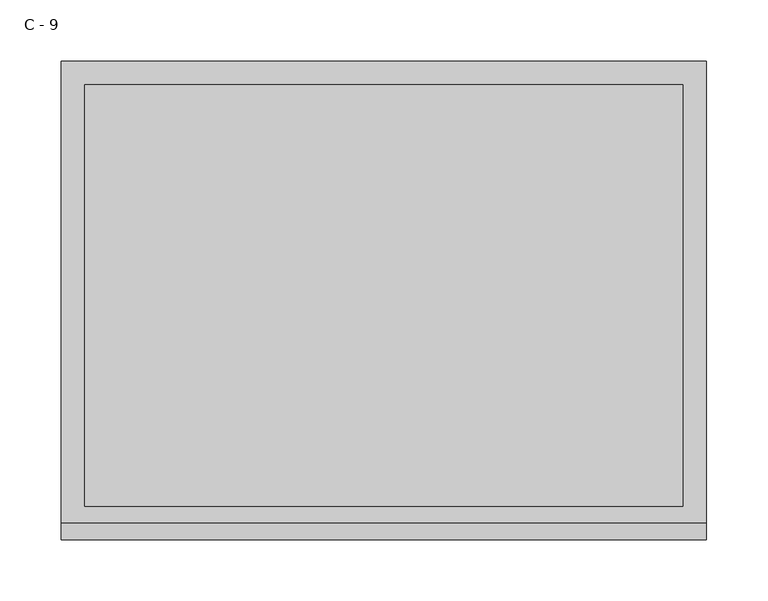
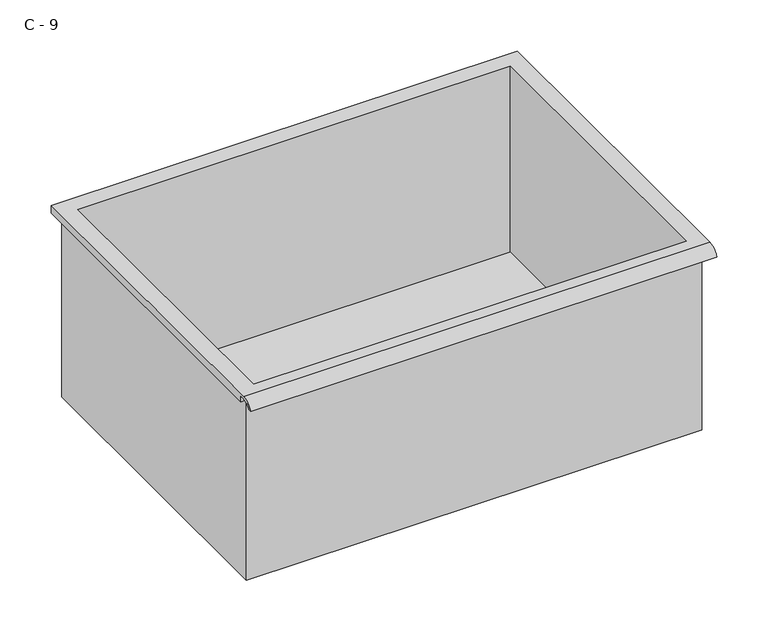
"""IFC4 building model written with IfcOpenShell, lengths in millimetres: furniture geometry, C - 9."""

from ifc_helpers import new_model, si_unit, frame, origin, place, context, project, spatial, polyline, circle_curve, source, transform, mapped, element, save
from ifc_brep_helpers import plane_surface, cylinder_surface, revolved_surface, advanced_brep


def c_9_19f34dda(model_context):
    return source(origin(), model_context, "Body", "AdvancedBrep", [
        advanced_brep(
        [(-257.1076517, -176.2125, 255.59512), (257.2423483, -176.2125, 255.59512), (257.2423483, -176.2125, 471.49512), (263.5923483, -176.2125, 471.49512), (263.5923483, -176.2125, 477.8022541), (-263.4576517, -176.2125, 477.8022541), (-263.4576517, -176.2125, 471.49512), (-257.1076517, -176.2125, 471.49512), (257.2423483, 185.7375, 255.59512), (-257.1076517, 185.7375, 255.59512), (-257.1076517, 185.7375, 471.49512), (257.2423483, 185.7375, 471.49512), (263.5923483, -181.6070544, 481.02012), (263.5923483, 195.2625, 481.02012), (-263.4576517, 195.2625, 481.02012), (-263.4576517, -181.6070544, 481.02012), (244.5423483, -168.275, 481.02012), (-244.4076517, -168.275, 481.02012), (-244.4076517, 176.2125, 481.02012), (244.5423483, 176.2125, 481.02012), (263.5923483, -195.2625, 471.49512), (263.5923483, -191.8280601, 471.49512), (263.5923483, -180.4714815, 477.8022541), (263.5923483, 195.2625, 471.49512), (-263.4576517, 195.2625, 471.49512), (-263.4576517, -180.4714815, 477.8022541), (-263.4576517, -191.8280601, 471.49512), (-263.4576517, -195.2625, 471.49512), (-244.4076517, -168.275, 258.6212919), (244.5423483, -168.275, 258.6212919), (244.5423483, 176.2125, 258.6212919), (-244.4076517, 176.2125, 258.6212919)],
        [
            (0, 1),
            (1, 2),
            (2, 3),
            (3, 4),
            (4, 5),
            (5, 6),
            (6, 7),
            (7, 0),
            (8, 9),
            (9, 10),
            (10, 11),
            (11, 8),
            (0, 9),
            (8, 1),
            (11, 2),
            (12, 13),
            (13, 14),
            (14, 15),
            (15, 12),
            (16, 17),
            (17, 18),
            (18, 19),
            (19, 16),
            (7, 10),
            (12, 20, circle_curve(frame((263.5923483, -181.6070544, 466.4691059), z_axis=(1.0, 0.0, 0.0), x_axis=(0.0, 1.0, 0.0)), 14.5510141)),
            (20, 21),
            (21, 22, circle_curve(frame((263.5923483, -181.6070544, 466.4691059), z_axis=(-1.0, 0.0, 0.0), x_axis=(0.0, 1.0, 0.0)), 11.3898979)),
            (22, 4),
            (3, 23),
            (23, 13),
            (14, 24),
            (24, 6),
            (5, 25),
            (25, 26, circle_curve(frame((-263.4576517, -181.6070544, 466.4691059), z_axis=(1.0, 0.0, 0.0), x_axis=(0.0, 1.0, 0.0)), 11.3898979)),
            (26, 27),
            (27, 15, circle_curve(frame((-263.4576517, -181.6070544, 466.4691059), z_axis=(-1.0, 0.0, 0.0), x_axis=(0.0, 1.0, 0.0)), 14.5510141)),
            (27, 20),
            (26, 21),
            (25, 22),
            (24, 23),
            (28, 29),
            (29, 30),
            (30, 31),
            (31, 28),
            (28, 17),
            (16, 29),
            (19, 30),
            (18, 31),
        ],
        [
            plane_surface(frame((257.2423483, -176.2125, 255.59512), z_axis=(0.0, -1.0, 0.0), x_axis=(1.0, 0.0, 0.0))),
            plane_surface(frame((257.2423483, 185.7375, 255.59512), z_axis=(0.0, 1.0, 0.0), x_axis=(-1.0, 0.0, 0.0))),
            plane_surface(frame((-257.1076517, -176.2125, 255.59512), z_axis=(0.0, 0.0, -1.0), x_axis=(0.0, 1.0, 0.0))),
            plane_surface(frame((257.2423483, -176.2125, 255.59512), z_axis=(1.0, 0.0, 0.0), x_axis=(0.0, 1.0, 0.0))),
            plane_surface(frame((257.2423483, -176.2125, 481.02012), z_axis=(0.0, 0.0, 1.0), x_axis=(0.0, 1.0, 0.0))),
            plane_surface(frame((-257.1076517, -176.2125, 481.02012), z_axis=(-1.0, 0.0, 0.0), x_axis=(0.0, 1.0, 0.0))),
            plane_surface(frame((263.5923483, 195.2625, 481.02012), z_axis=(1.0, 0.0, 0.0), x_axis=(0.0, -1.0, 0.0))),
            plane_surface(frame((-263.4576517, 195.2625, 481.02012), z_axis=(-1.0, 0.0, 0.0), x_axis=(0.0, 1.0, 0.0))),
            cylinder_surface(frame((-263.4576517, -181.6070544, 466.4691059), z_axis=(1.0, 0.0, 0.0), x_axis=(0.0, 1.0, 0.0)), 14.5510141),
            plane_surface(frame((263.5923483, -195.2625, 471.49512), z_axis=(0.0, -7.192703072700563e-12, -1.0), x_axis=(-1.0, 0.0, 0.0))),
            revolved_surface(polyline([(-263.4576517, -170.21715650000002, 466.4691059), (263.59234829999997, -170.21715650000002, 466.4691059)]), (-263.4576517, -181.6070544, 466.4691059), (-1.0, 0.0, 0.0)),
            plane_surface(frame((263.5923483, -180.4714815, 477.8022541), z_axis=(0.0, -1.7781955592184194e-11, -1.0), x_axis=(-1.0, 0.0, 0.0))),
            plane_surface(frame((263.5923483, -176.2125, 471.49512), z_axis=(0.0, 0.0, -1.0), x_axis=(-1.0, 0.0, 0.0))),
            plane_surface(frame((263.5923483, 195.2625, 471.49512), z_axis=(0.0, 1.0, 0.0), x_axis=(-1.0, 0.0, 0.0))),
            plane_surface(frame((244.5423483, -168.275, 258.6212919), z_axis=(0.0, 0.0, 1.0), x_axis=(-1.0, 0.0, 0.0))),
            plane_surface(frame((-244.4076517, -168.275, 481.02012), z_axis=(0.0, 1.0, 0.0), x_axis=(0.0, 0.0, -1.0))),
            plane_surface(frame((244.5423483, -168.275, 481.02012), z_axis=(-1.0, 0.0, 0.0), x_axis=(0.0, 0.0, -1.0))),
            plane_surface(frame((244.5423483, 176.2125, 481.02012), z_axis=(0.0, -1.0, 0.0), x_axis=(0.0, 0.0, -1.0))),
            plane_surface(frame((-244.4076517, 176.2125, 481.02012), z_axis=(1.0, 0.0, 0.0), x_axis=(0.0, 0.0, -1.0))),
        ],
        [
            (0, [[1, 2, 3, 4, 5, 6, 7, 8]]),
            (1, [[9, 10, 11, 12]]),
            (2, [[-1, 13, -9, 14]]),
            (3, [[-14, -12, 15, -2]]),
            (4, [[16, 17, 18, 19], [20, 21, 22, 23]]),
            (5, [[-13, -8, 24, -10]]),
            (6, [[-16, 25, 26, 27, 28, -4, 29, 30]]),
            (7, [[31, 32, -6, 33, 34, 35, 36, -18]]),
            (8, [[-25, -19, -36, 37]]),
            (9, [[-26, -37, -35, 38]]),
            (10, [[-27, -38, -34, 39]]),
            (11, [[-28, -39, -33, -5]]),
            (12, [[-29, -3, -15, -11, -24, -7, -32, 40]]),
            (13, [[-30, -40, -31, -17]]),
            (14, [[41, 42, 43, 44]]),
            (15, [[-41, 45, -20, 46]]),
            (16, [[-42, -46, -23, 47]]),
            (17, [[-43, -47, -22, 48]]),
            (18, [[-44, -48, -21, -45]]),
        ],
    ),
    ])


if __name__ == "__main__":
    model = new_model("IFC4")
    model_context = context("Model", 3, world=origin())
    ifc_project = project(units=[si_unit("LENGTHUNIT", "METRE", prefix="MILLI")], contexts=[model_context])
    site = spatial("IfcSite", under=ifc_project)
    building = spatial("IfcBuilding", under=site)
    placement = place(None, origin())
    c_9_shape = c_9_19f34dda(model_context)
    element("IfcFurniture", 1, ObjectType="C - 9", at=placement, inside=building, context=model_context, shape_type="MappedRepresentation", body=[
        mapped(c_9_shape, transform((0.0, 0.0, 0.0), x_axis=(1.0, 0.0, 0.0), y_axis=(0.0, 1.0, 0.0), z_axis=(0.0, 0.0, 1.0))),
    ])
    save(model, "model.ifc")
